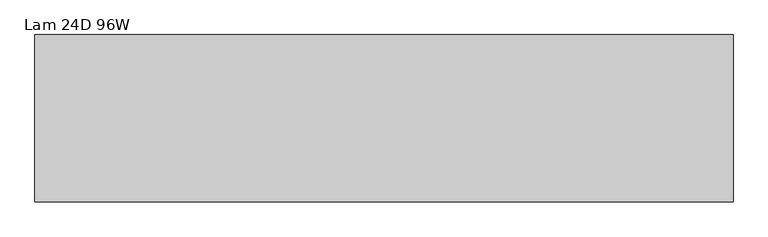
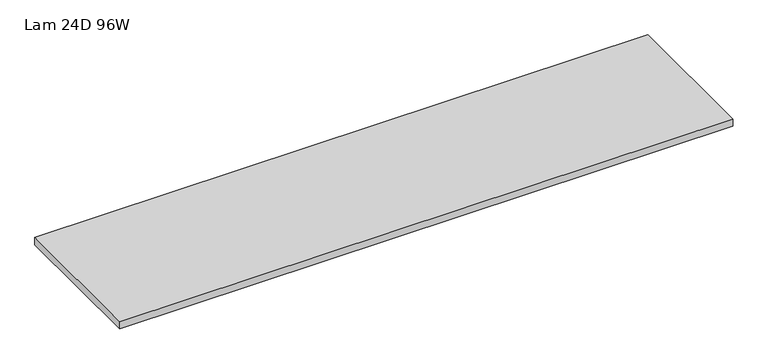
"""IFC4 building model written with IfcOpenShell, lengths in millimetres: furniture geometry, Lam 24D 96W."""

from ifc_helpers import new_model, si_unit, frame, origin, place, context, project, spatial, polyline, outline, extrude, source, transform, mapped, element, save


def lam_24d_96w_22e2a303(model_context):
    return source(origin(), model_context, "Body", "SweptSolid", [
        extrude(outline(polyline([(1972.7275996, 174.6914812), (-462.6244004, 174.6914812), (-462.6244004, 758.8914812), (1972.7275996, 758.8914812), (1972.7275996, 174.6914812)])), frame((0.0, 0.0, 706.7296), z_axis=(0.0, 0.0, 1.0), x_axis=(1.0, 0.0, 0.0)), (0.0, 0.0, 1.0), 29.8704),
    ])


if __name__ == "__main__":
    model = new_model("IFC4")
    model_context = context("Model", 3, world=origin())
    ifc_project = project(units=[si_unit("LENGTHUNIT", "METRE", prefix="MILLI")], contexts=[model_context])
    site = spatial("IfcSite", under=ifc_project)
    building = spatial("IfcBuilding", under=site)
    placement = place(None, origin())
    lam_24d_96w_shape = lam_24d_96w_22e2a303(model_context)
    element("IfcFurniture", 1, ObjectType="Lam 24D 96W", at=placement, inside=building, context=model_context, shape_type="MappedRepresentation", body=[
        mapped(lam_24d_96w_shape, transform((0.0, 0.0, 0.0), x_axis=(1.0, 0.0, 0.0), y_axis=(0.0, 1.0, 0.0), z_axis=(0.0, 0.0, 1.0))),
    ])
    save(model, "model.ifc")
